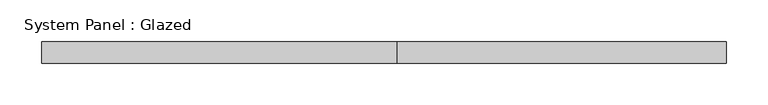
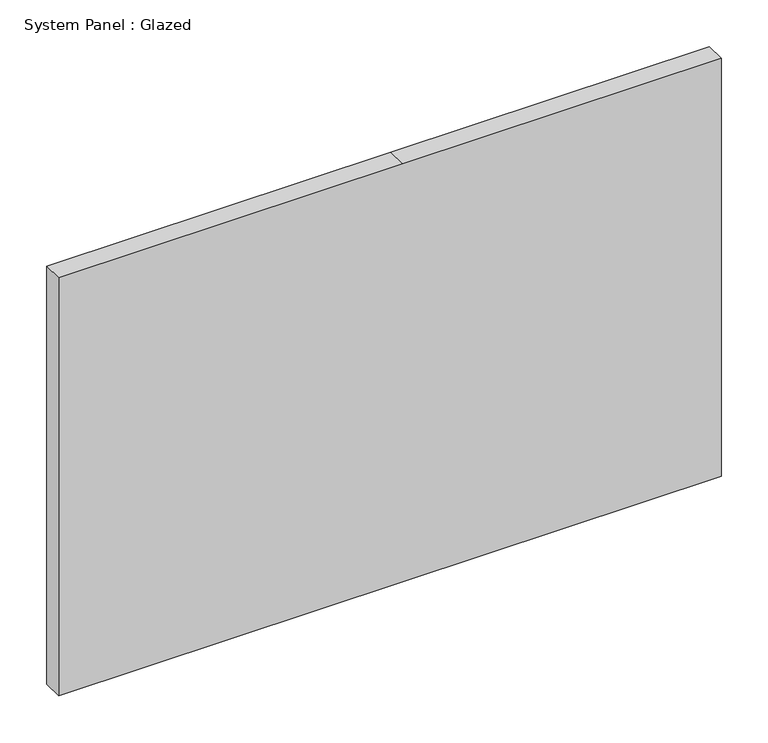
"""IFC4 building model written with IfcOpenShell, lengths in millimetres: plate geometry, System Panel : Glazed."""

from ifc_helpers import new_model, si_unit, frame, origin, place, context, project, spatial, polyline, outline, extrude, source, transform, mapped, element, save


def system_panel_glazed_146b56a9(model_context):
    return source(origin(), model_context, "Body", "SweptSolid", [
        extrude(outline(polyline([(0.0, -409.575), (0.0, 15.875), (0.0, 409.575), (546.1, 409.575), (546.1, 15.875), (546.1, -409.575), (0.0, -409.575)])), frame((0.0, 19.05, 0.0), z_axis=(0.0, 1.0, 0.0), x_axis=(0.0, 0.0, 1.0)), (0.0, 0.0, 1.0), 25.4),
    ])


if __name__ == "__main__":
    model = new_model("IFC4")
    model_context = context("Model", 3, world=origin())
    ifc_project = project(units=[si_unit("LENGTHUNIT", "METRE", prefix="MILLI")], contexts=[model_context])
    site = spatial("IfcSite", under=ifc_project)
    building = spatial("IfcBuilding", under=site)
    placement = place(None, origin())
    system_panel_glazed_shape = system_panel_glazed_146b56a9(model_context)
    element("IfcPlate", 1, ObjectType="System Panel : Glazed", at=placement, inside=building, context=model_context, shape_type="MappedRepresentation", body=[
        mapped(system_panel_glazed_shape, transform((0.0, 0.0, 0.0), x_axis=(1.0, 0.0, 0.0), y_axis=(0.0, 1.0, 0.0), z_axis=(0.0, 0.0, 1.0))),
    ])
    save(model, "model.ifc")
